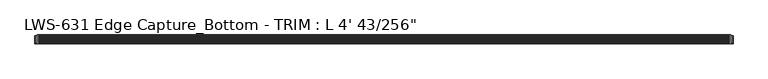
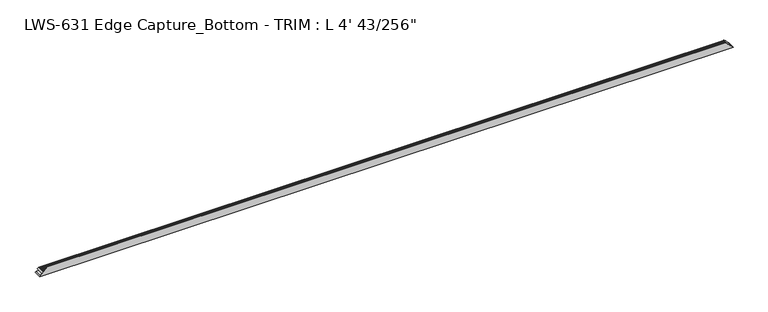
"""IFC4 building model written with IfcOpenShell, lengths in millimetres: proxy geometry."""

import ifcopenshell
import ifcopenshell.guid

model = None  # the IFC model being written
_history = None  # IfcOwnerHistory: only IFC2X3 demands one
_inside = {}  # id of a spatial element -> (the spatial element, [elements in it])
_under = {}  # id of a project, library or spatial element -> (it, [spatial elements below it])
_declared = {}  # id of a project -> (the project, [libraries it declares])
_typed = {}  # id of a type object -> (the type object, [elements of that type])
_made_of = {}  # id of a material, layer set ... -> (it, [elements and type objects made of it])


def new_model(schema):
    """Start an empty IFC model of exactly this schema.

    Asked for "IFC4X3", IfcOpenShell would pick the latest addendum, in which some entities
    have other attributes; the version numbers below select the first issue.
    IFC2X3 requires an IfcOwnerHistory on every rooted entity: one is made here for all.
    """
    global model, _history
    if schema == "IFC4X3":
        model = ifcopenshell.file(schema_version=(4, 3, 0, 0))
    else:
        model = ifcopenshell.file(schema=schema)
    _inside.clear()
    _under.clear()
    _declared.clear()
    _typed.clear()
    _made_of.clear()
    _history = None
    if model.schema == "IFC2X3":
        org = make("IfcOrganization", Name="unknown")
        user = make(
            "IfcPersonAndOrganization",
            ThePerson=make("IfcPerson", FamilyName="unknown"),
            TheOrganization=org,
        )
        app = make(
            "IfcApplication",
            ApplicationDeveloper=org,
            Version="unknown",
            ApplicationFullName="unknown",
            ApplicationIdentifier="unknown",
        )
        _history = make(
            "IfcOwnerHistory",
            OwningUser=user,
            OwningApplication=app,
            ChangeAction="ADDED",
            CreationDate=0,
        )
    return model


def make(cls, **values):
    """One entity of the class cls with the attributes given. An attribute that is None is left unset."""
    return model.create_entity(
        cls, **{name: value for name, value in values.items() if value is not None}
    )


def rooted(cls, **values):
    """An entity with a GlobalId (a new one), such as an element, a storey or a relation."""
    return make(cls, GlobalId=ifcopenshell.guid.new(), OwnerHistory=_history, **values)


def si_unit(unit_type, name, prefix=None):
    """IfcSIUnit, for example si_unit("LENGTHUNIT", "METRE", prefix="MILLI")."""
    return make("IfcSIUnit", UnitType=unit_type, Prefix=prefix, Name=name)


def assignment(units):
    """IfcUnitAssignment: the units of a project."""
    return None if units is None else make("IfcUnitAssignment", Units=units)


def point(xyz):
    """IfcCartesianPoint."""
    return None if xyz is None else make("IfcCartesianPoint", Coordinates=xyz)


def direction(xyz):
    """IfcDirection."""
    return None if xyz is None else make("IfcDirection", DirectionRatios=xyz)


def frame(location, z_axis=None, x_axis=None):
    """IfcAxis2Placement3D, a coordinate frame: its origin and axes. An axis left out is left unset."""
    return make(
        "IfcAxis2Placement3D",
        Location=point(location),
        Axis=direction(z_axis),
        RefDirection=direction(x_axis),
    )


def origin():
    """The frame at (0, 0, 0) with its axes left unset."""
    return frame((0.0, 0.0, 0.0))


def place(relative_to, where):
    """IfcLocalPlacement: puts the frame where relative to a parent placement (None: the world)."""
    return make(
        "IfcLocalPlacement", PlacementRelTo=relative_to, RelativePlacement=where
    )


def context(
    kind, dimensions, precision=None, world=None, true_north=None, identifier=None
):
    """IfcGeometricRepresentationContext, for example the 3D "Model" context."""
    return make(
        "IfcGeometricRepresentationContext",
        ContextIdentifier=identifier,
        ContextType=kind,
        CoordinateSpaceDimension=dimensions,
        Precision=precision,
        WorldCoordinateSystem=world,
        TrueNorth=true_north,
    )


def project(units=None, contexts=None):
    """IfcProject with its units and contexts."""
    return rooted(
        "IfcProject",
        Name="project",
        RepresentationContexts=contexts,
        UnitsInContext=assignment(units),
    )


def spatial(cls, under=None, at=None, **own):
    """A site, building, storey or space (cls), placed at a placement, below another one or the project."""
    s = rooted(cls, ObjectPlacement=at, **own)
    if under is not None:
        _under.setdefault(under.id(), (under, []))[1].append(s)
    return s


def faces_of(points, faces, orient=None, outer=None):
    """IfcFace entities. A face is a list of loops; a loop is a list of indices into points, from 0.

    orient and outer hold one flag for each loop. By default every Orientation is true, the
    first loop of a face is its IfcFaceOuterBound and the others are IfcFaceBound.
    """
    made = []
    for i, loops in enumerate(faces):
        bounds = []
        for j, loop in enumerate(loops):
            is_outer = j == 0 if outer is None else outer[i][j]
            bounds.append(
                make(
                    "IfcFaceOuterBound" if is_outer else "IfcFaceBound",
                    Bound=make("IfcPolyLoop", Polygon=[points[k] for k in loop]),
                    Orientation=True if orient is None else orient[i][j],
                )
            )
        made.append(make("IfcFace", Bounds=bounds))
    return made


def faceted_brep(points, faces, orient=None, outer=None, voids=None):
    """IfcFacetedBrep: a solid bounded by flat faces; with voids (closed shells), ...WithVoids."""
    shared = [point(p) for p in points]
    hull = make("IfcClosedShell", CfsFaces=faces_of(shared, faces, orient, outer))
    if voids is None:
        return make("IfcFacetedBrep", Outer=hull)
    return make(
        "IfcFacetedBrepWithVoids",
        Outer=hull,
        Voids=[
            make(cls, CfsFaces=faces_of(shared, fs, o, b)) for cls, fs, o, b in voids
        ],
    )


def shape(context_of_items, identifier, shape_type, items):
    """IfcShapeRepresentation: the items that make up one representation, for example the "Body"."""
    return make(
        "IfcShapeRepresentation",
        ContextOfItems=context_of_items,
        RepresentationIdentifier=identifier,
        RepresentationType=shape_type,
        Items=items,
    )


def source(mapping_origin, context_of_items, identifier, shape_type, items):
    """IfcRepresentationMap: a shape defined once, which mapped items show again and again."""
    return make(
        "IfcRepresentationMap",
        MappingOrigin=mapping_origin,
        MappedRepresentation=shape(context_of_items, identifier, shape_type, items),
    )


def transform(
    local_origin,
    x_axis=None,
    y_axis=None,
    z_axis=None,
    scale=None,
    scale2=None,
    scale3=None,
    uniform=True,
):
    """IfcCartesianTransformationOperator3D, or its non-uniform kind. x_axis, y_axis, z_axis: its Axis1, 2, 3."""
    if uniform:
        return make(
            "IfcCartesianTransformationOperator3D",
            Axis1=direction(x_axis),
            Axis2=direction(y_axis),
            LocalOrigin=point(local_origin),
            Scale=scale,
            Axis3=direction(z_axis),
        )
    return make(
        "IfcCartesianTransformationOperator3DnonUniform",
        Axis1=direction(x_axis),
        Axis2=direction(y_axis),
        LocalOrigin=point(local_origin),
        Scale=scale,
        Axis3=direction(z_axis),
        Scale2=scale2,
        Scale3=scale3,
    )


def mapped(mapping_source, mapping_target):
    """IfcMappedItem: shows the shape of a source again, moved by a transform."""
    return make(
        "IfcMappedItem", MappingSource=mapping_source, MappingTarget=mapping_target
    )


def made_of(thing, what):
    """Note that an element or type object is made of a material, layer set ...; save() writes the relation."""
    if what is not None:
        _made_of.setdefault(what.id(), (what, []))[1].append(thing)
    return thing


def element(
    cls,
    number,
    at=None,
    inside=None,
    cuts=None,
    type_object=None,
    material=None,
    context=None,
    identifier="Body",
    shape_type=None,
    held_by="IfcProductDefinitionShape",
    body=None,
    shapes=None,
    **own,
):
    """One element of the class cls, such as IfcWall. Its Tag is "e" and its number.

    at: its placement. inside: the storey or other place that contains it. cuts: it is an
    opening in that element (IfcRelVoidsElement). A single representation is given by context,
    identifier, shape_type and body (its items); several are given by shapes. held_by: the class
    of the entity that holds the representations. save() writes the other relations.
    """
    e = rooted(cls, Tag="e%d" % number, ObjectPlacement=at, **own)
    if body is not None:
        shapes = [shape(context, identifier, shape_type, body)]
    if shapes is not None:
        e.Representation = make(held_by, Representations=shapes)
    if inside is not None:
        _inside.setdefault(inside.id(), (inside, []))[1].append(e)
    if cuts is not None:
        rooted(
            "IfcRelVoidsElement", RelatingBuildingElement=cuts, RelatedOpeningElement=e
        )
    if type_object is not None:
        _typed.setdefault(type_object.id(), (type_object, []))[1].append(e)
    return made_of(e, material)


def aggregate(whole, parts):
    """IfcRelAggregates: a whole, such as a stair, and the parts it consists of."""
    return rooted("IfcRelAggregates", RelatingObject=whole, RelatedObjects=parts)


def save(model, path):
    """Write the relations noted so far, then the file.

    IfcRelAggregates (storeys below a building ...), IfcRelContainedInSpatialStructure (elements
    in a storey), IfcRelDefinesByType, IfcRelAssociatesMaterial and IfcRelDeclares: one each for
    every whole, place, type object, material and project.
    """
    for whole, parts in _under.values():
        aggregate(whole, parts)
    for where, things in _inside.values():
        rooted(
            "IfcRelContainedInSpatialStructure",
            RelatedElements=things,
            RelatingStructure=where,
        )
    for kind, things in _typed.values():
        rooted("IfcRelDefinesByType", RelatedObjects=things, RelatingType=kind)
    for what, things in _made_of.values():
        rooted("IfcRelAssociatesMaterial", RelatedObjects=things, RelatingMaterial=what)
    for by, libraries in _declared.values():
        rooted("IfcRelDeclares", RelatingContext=by, RelatedDefinitions=libraries)
    model.write(path)


def proxy_eca3fb20(model_context):
    return source(origin(), model_context, "Body", "Brep", [
        faceted_brep([(1221.8789063, -14.2875, 1.5875), (1.5875, -14.2875, 1.5875), (4.1275, -14.2875, 4.1275), (1219.3389063, -14.2875, 4.1275), (4.1275, -13.4671165, 4.1275), (1219.3389063, -13.4671165, 4.1275), (4.3815, -12.6853848, 4.3815), (1219.0849063, -12.6853848, 4.3815), (4.1275, -11.9036532, 4.1275), (1219.3389063, -11.9036532, 4.1275), (4.3815, -11.1219216, 4.3815), (1219.0849063, -11.1219216, 4.3815), (4.1275, -10.34019, 4.1275), (1219.3389063, -10.34019, 4.1275), (4.3815, -9.5584584, 4.3815), (1219.0849063, -9.5584584, 4.3815), (4.1275, -8.7767268, 4.1275), (1219.3389063, -8.7767268, 4.1275), (4.3815, -7.9949951, 4.3815), (1219.0849063, -7.9949951, 4.3815), (4.1275, -7.2132635, 4.1275), (1219.3389063, -7.2132635, 4.1275), (4.3815, -6.4315319, 4.3815), (1219.0849063, -6.4315319, 4.3815), (4.1275, -5.6498003, 4.1275), (1219.3389063, -5.6498003, 4.1275), (4.3815, -4.8680687, 4.3815), (1219.0849063, -4.8680687, 4.3815), (4.1275, -4.086337, 4.1275), (1219.3389063, -4.086337, 4.1275), (4.3815, -3.3046054, 4.3815), (1219.0849063, -3.3046054, 4.3815), (4.1275, -2.5228738, 4.1275), (1219.3389063, -2.5228738, 4.1275), (4.3815, -1.7411422, 4.3815), (1219.0849063, -1.7411422, 4.3815), (4.1275, -0.9594106, 4.1275), (1219.3389063, -0.9594106, 4.1275), (4.3815, 0.0, 4.3815), (1219.0849063, 0.0, 4.3815), (6.7945, 0.0, 6.7945), (1216.6719063, 0.0, 6.7945), (7.0485, -0.9594106, 7.0485), (1216.4179063, -0.9594106, 7.0485), (6.7945, -1.7411422, 6.7945), (1216.6719063, -1.7411422, 6.7945), (7.0485, -2.5228738, 7.0485), (1216.4179063, -2.5228738, 7.0485), (6.7945, -3.3046054, 6.7945), (1216.6719063, -3.3046054, 6.7945), (7.0485, -4.086337, 7.0485), (1216.4179063, -4.086337, 7.0485), (6.7945, -4.8680687, 6.7945), (1216.6719063, -4.8680687, 6.7945), (7.0485, -5.6498003, 7.0485), (1216.4179063, -5.6498003, 7.0485), (6.7945, -6.4315319, 6.7945), (1216.6719063, -6.4315319, 6.7945), (7.0485, -7.2132635, 7.0485), (1216.4179063, -7.2132635, 7.0485), (6.7945, -7.9949951, 6.7945), (1216.6719063, -7.9949951, 6.7945), (7.0485, -8.7767268, 7.0485), (1216.4179063, -8.7767268, 7.0485), (6.7945, -9.5584584, 6.7945), (1216.6719063, -9.5584584, 6.7945), (7.0485, -10.34019, 7.0485), (1216.4179063, -10.34019, 7.0485), (6.7945, -11.1219216, 6.7945), (1216.6719063, -11.1219216, 6.7945), (7.0485, -11.9036532, 7.0485), (1216.4179063, -11.9036532, 7.0485), (6.7945, -12.6853848, 6.7945), (1216.6719063, -12.6853848, 6.7945), (7.0485, -13.4671165, 7.0485), (1216.4179063, -13.4671165, 7.0485), (7.0485, -14.2875, 7.0485), (1216.4179063, -14.2875, 7.0485), (13.97, -14.2875, 13.97), (1209.4964063, -14.2875, 13.97), (13.97, -15.5575, 13.97), (1209.4964063, -15.5575, 13.97), (0.0, -15.5575, 0.0), (1223.4664063, -15.5575, 0.0), (0.0, -1.5875, 0.0), (1223.4664063, -1.5875, 0.0), (1.5875, -1.5875, 1.5875), (1221.8789063, -1.5875, 1.5875)], [[[0, 1, 2, 3]], [[3, 2, 4, 5]], [[5, 4, 6, 7]], [[7, 6, 8, 9]], [[9, 8, 10, 11]], [[11, 10, 12, 13]], [[13, 12, 14, 15]], [[15, 14, 16, 17]], [[17, 16, 18, 19]], [[19, 18, 20, 21]], [[21, 20, 22, 23]], [[23, 22, 24, 25]], [[25, 24, 26, 27]], [[27, 26, 28, 29]], [[29, 28, 30, 31]], [[31, 30, 32, 33]], [[33, 32, 34, 35]], [[35, 34, 36, 37]], [[37, 36, 38, 39]], [[39, 38, 40, 41]], [[41, 40, 42, 43]], [[43, 42, 44, 45]], [[45, 44, 46, 47]], [[47, 46, 48, 49]], [[49, 48, 50, 51]], [[51, 50, 52, 53]], [[53, 52, 54, 55]], [[55, 54, 56, 57]], [[57, 56, 58, 59]], [[59, 58, 60, 61]], [[61, 60, 62, 63]], [[63, 62, 64, 65]], [[65, 64, 66, 67]], [[67, 66, 68, 69]], [[69, 68, 70, 71]], [[71, 70, 72, 73]], [[73, 72, 74, 75]], [[75, 74, 76, 77]], [[77, 76, 78, 79]], [[79, 78, 80, 81]], [[82, 83, 81, 80]], [[83, 82, 84, 85]], [[85, 84, 86, 87]], [[1, 0, 87, 86]], [[0, 3, 5, 7, 9, 11, 13, 15, 17, 19, 21, 23, 25, 27, 29, 31, 33, 35, 37, 39, 41, 43, 45, 47, 49, 51, 53, 55, 57, 59, 61, 63, 65, 67, 69, 71, 73, 75, 77, 79, 81, 83, 85, 87]], [[2, 1, 86, 84, 82, 80, 78, 76, 74, 72, 70, 68, 66, 64, 62, 60, 58, 56, 54, 52, 50, 48, 46, 44, 42, 40, 38, 36, 34, 32, 30, 28, 26, 24, 22, 20, 18, 16, 14, 12, 10, 8, 6, 4]]]),
    ])


if __name__ == "__main__":
    model = new_model("IFC4")
    model_context = context("Model", 3, world=origin())
    ifc_project = project(units=[si_unit("LENGTHUNIT", "METRE", prefix="MILLI")], contexts=[model_context])
    site = spatial("IfcSite", under=ifc_project)
    building = spatial("IfcBuilding", under=site)
    placement = place(None, origin())
    proxy_shape = proxy_eca3fb20(model_context)
    element("IfcBuildingElementProxy", 1, Name="LWS-631 Edge Capture_Bottom - TRIM : L 4' 43/256\"", ObjectType="LWS-631 Edge Capture_Bottom - TRIM : L 4' 43/256\"", at=placement, inside=building, context=model_context, shape_type="MappedRepresentation", body=[
        mapped(proxy_shape, transform((0.0, 0.0, 0.0), x_axis=(1.0, 0.0, 0.0), y_axis=(0.0, 1.0, 0.0), z_axis=(0.0, 0.0, 1.0))),
    ])
    save(model, "model.ifc")
